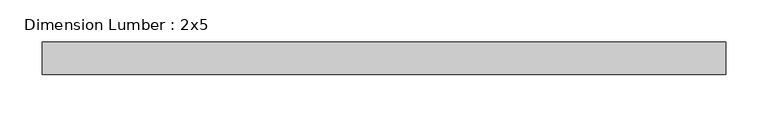
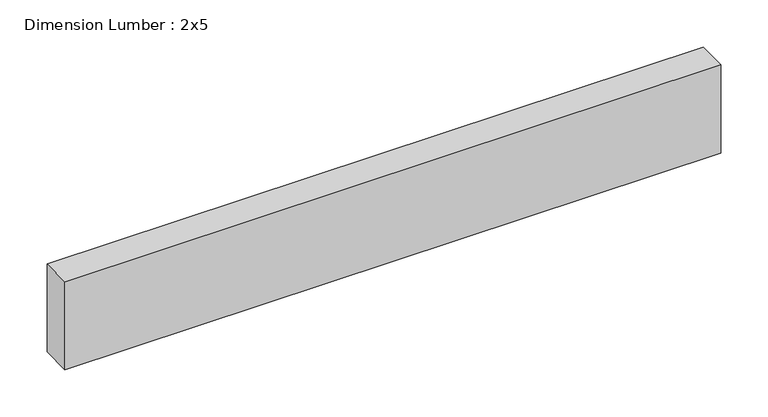
"""IFC4 building model written with IfcOpenShell, lengths in millimetres: beam geometry, Dimension Lumber : 2x5."""

from ifc_helpers import new_model, si_unit, frame, origin, place, context, project, spatial, polyline, outline, extrude, source, transform, mapped, element, save


def dimension_lumber_2x5_a323744e(model_context):
    return source(origin(), model_context, "Body", "SweptSolid", [
        extrude(outline(polyline([(402.3405726, 19.05), (402.3405726, -19.05), (-402.3405726, -19.05), (-402.3405726, 19.05), (402.3405726, 19.05)])), frame((0.0, 0.0, -57.15), z_axis=(0.0, 0.0, 1.0), x_axis=(1.0, 0.0, 0.0)), (0.0, 0.0, 1.0), 114.3),
    ])


if __name__ == "__main__":
    model = new_model("IFC4")
    model_context = context("Model", 3, world=origin())
    ifc_project = project(units=[si_unit("LENGTHUNIT", "METRE", prefix="MILLI")], contexts=[model_context])
    site = spatial("IfcSite", under=ifc_project)
    building = spatial("IfcBuilding", under=site)
    placement = place(None, origin())
    dimension_lumber_2x5_shape = dimension_lumber_2x5_a323744e(model_context)
    element("IfcBeam", 1, ObjectType="Dimension Lumber : 2x5", at=placement, inside=building, context=model_context, shape_type="MappedRepresentation", body=[
        mapped(dimension_lumber_2x5_shape, transform((0.0, 0.0, 0.0), x_axis=(1.0, 0.0, 0.0), y_axis=(0.0, 1.0, 0.0), z_axis=(0.0, 0.0, 1.0))),
    ])
    save(model, "model.ifc")
